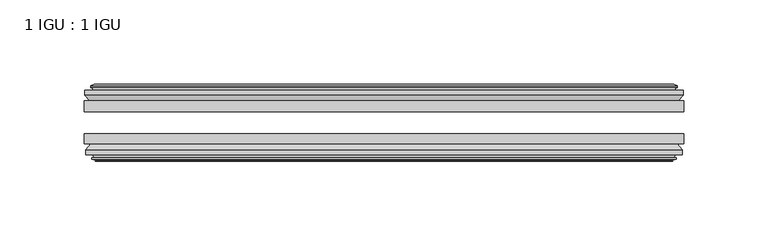
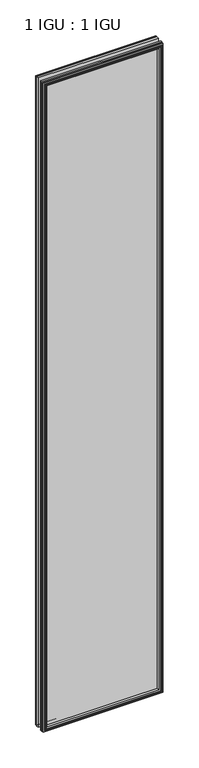
"""IFC4 building model written with IfcOpenShell, lengths in millimetres: plate geometry, 1 IGU : 1 IGU."""

import ifcopenshell
import ifcopenshell.guid

model = None  # the IFC model being written
_history = None  # IfcOwnerHistory: only IFC2X3 demands one
_inside = {}  # id of a spatial element -> (the spatial element, [elements in it])
_under = {}  # id of a project, library or spatial element -> (it, [spatial elements below it])
_declared = {}  # id of a project -> (the project, [libraries it declares])
_typed = {}  # id of a type object -> (the type object, [elements of that type])
_made_of = {}  # id of a material, layer set ... -> (it, [elements and type objects made of it])


def new_model(schema):
    """Start an empty IFC model of exactly this schema.

    Asked for "IFC4X3", IfcOpenShell would pick the latest addendum, in which some entities
    have other attributes; the version numbers below select the first issue.
    IFC2X3 requires an IfcOwnerHistory on every rooted entity: one is made here for all.
    """
    global model, _history
    if schema == "IFC4X3":
        model = ifcopenshell.file(schema_version=(4, 3, 0, 0))
    else:
        model = ifcopenshell.file(schema=schema)
    _inside.clear()
    _under.clear()
    _declared.clear()
    _typed.clear()
    _made_of.clear()
    _history = None
    if model.schema == "IFC2X3":
        org = make("IfcOrganization", Name="unknown")
        user = make(
            "IfcPersonAndOrganization",
            ThePerson=make("IfcPerson", FamilyName="unknown"),
            TheOrganization=org,
        )
        app = make(
            "IfcApplication",
            ApplicationDeveloper=org,
            Version="unknown",
            ApplicationFullName="unknown",
            ApplicationIdentifier="unknown",
        )
        _history = make(
            "IfcOwnerHistory",
            OwningUser=user,
            OwningApplication=app,
            ChangeAction="ADDED",
            CreationDate=0,
        )
    return model


def make(cls, **values):
    """One entity of the class cls with the attributes given. An attribute that is None is left unset."""
    return model.create_entity(
        cls, **{name: value for name, value in values.items() if value is not None}
    )


def rooted(cls, **values):
    """An entity with a GlobalId (a new one), such as an element, a storey or a relation."""
    return make(cls, GlobalId=ifcopenshell.guid.new(), OwnerHistory=_history, **values)


def si_unit(unit_type, name, prefix=None):
    """IfcSIUnit, for example si_unit("LENGTHUNIT", "METRE", prefix="MILLI")."""
    return make("IfcSIUnit", UnitType=unit_type, Prefix=prefix, Name=name)


def assignment(units):
    """IfcUnitAssignment: the units of a project."""
    return None if units is None else make("IfcUnitAssignment", Units=units)


def point(xyz):
    """IfcCartesianPoint."""
    return None if xyz is None else make("IfcCartesianPoint", Coordinates=xyz)


def direction(xyz):
    """IfcDirection."""
    return None if xyz is None else make("IfcDirection", DirectionRatios=xyz)


def frame(location, z_axis=None, x_axis=None):
    """IfcAxis2Placement3D, a coordinate frame: its origin and axes. An axis left out is left unset."""
    return make(
        "IfcAxis2Placement3D",
        Location=point(location),
        Axis=direction(z_axis),
        RefDirection=direction(x_axis),
    )


def origin():
    """The frame at (0, 0, 0) with its axes left unset."""
    return frame((0.0, 0.0, 0.0))


def place(relative_to, where):
    """IfcLocalPlacement: puts the frame where relative to a parent placement (None: the world)."""
    return make(
        "IfcLocalPlacement", PlacementRelTo=relative_to, RelativePlacement=where
    )


def context(
    kind, dimensions, precision=None, world=None, true_north=None, identifier=None
):
    """IfcGeometricRepresentationContext, for example the 3D "Model" context."""
    return make(
        "IfcGeometricRepresentationContext",
        ContextIdentifier=identifier,
        ContextType=kind,
        CoordinateSpaceDimension=dimensions,
        Precision=precision,
        WorldCoordinateSystem=world,
        TrueNorth=true_north,
    )


def project(units=None, contexts=None):
    """IfcProject with its units and contexts."""
    return rooted(
        "IfcProject",
        Name="project",
        RepresentationContexts=contexts,
        UnitsInContext=assignment(units),
    )


def spatial(cls, under=None, at=None, **own):
    """A site, building, storey or space (cls), placed at a placement, below another one or the project."""
    s = rooted(cls, ObjectPlacement=at, **own)
    if under is not None:
        _under.setdefault(under.id(), (under, []))[1].append(s)
    return s


def polyline(points):
    """IfcPolyline through the points."""
    return make("IfcPolyline", Points=[point(p) for p in points])


def outline(outer, holes=None, kind="AREA"):
    """IfcArbitraryClosedProfileDef: a profile drawn as a closed curve; with holes, ...WithVoids."""
    if holes is None:
        return make("IfcArbitraryClosedProfileDef", ProfileType=kind, OuterCurve=outer)
    return make(
        "IfcArbitraryProfileDefWithVoids",
        ProfileType=kind,
        OuterCurve=outer,
        InnerCurves=holes,
    )


def extrude(swept, where, along, depth):
    """IfcExtrudedAreaSolid: the profile swept, set in the frame where, extruded along a direction by depth."""
    return make(
        "IfcExtrudedAreaSolid",
        SweptArea=swept,
        Position=where,
        ExtrudedDirection=direction(along),
        Depth=depth,
    )


def faces_of(points, faces, orient=None, outer=None):
    """IfcFace entities. A face is a list of loops; a loop is a list of indices into points, from 0.

    orient and outer hold one flag for each loop. By default every Orientation is true, the
    first loop of a face is its IfcFaceOuterBound and the others are IfcFaceBound.
    """
    made = []
    for i, loops in enumerate(faces):
        bounds = []
        for j, loop in enumerate(loops):
            is_outer = j == 0 if outer is None else outer[i][j]
            bounds.append(
                make(
                    "IfcFaceOuterBound" if is_outer else "IfcFaceBound",
                    Bound=make("IfcPolyLoop", Polygon=[points[k] for k in loop]),
                    Orientation=True if orient is None else orient[i][j],
                )
            )
        made.append(make("IfcFace", Bounds=bounds))
    return made


def faceted_brep(points, faces, orient=None, outer=None, voids=None):
    """IfcFacetedBrep: a solid bounded by flat faces; with voids (closed shells), ...WithVoids."""
    shared = [point(p) for p in points]
    hull = make("IfcClosedShell", CfsFaces=faces_of(shared, faces, orient, outer))
    if voids is None:
        return make("IfcFacetedBrep", Outer=hull)
    return make(
        "IfcFacetedBrepWithVoids",
        Outer=hull,
        Voids=[
            make(cls, CfsFaces=faces_of(shared, fs, o, b)) for cls, fs, o, b in voids
        ],
    )


def shape(context_of_items, identifier, shape_type, items):
    """IfcShapeRepresentation: the items that make up one representation, for example the "Body"."""
    return make(
        "IfcShapeRepresentation",
        ContextOfItems=context_of_items,
        RepresentationIdentifier=identifier,
        RepresentationType=shape_type,
        Items=items,
    )


def source(mapping_origin, context_of_items, identifier, shape_type, items):
    """IfcRepresentationMap: a shape defined once, which mapped items show again and again."""
    return make(
        "IfcRepresentationMap",
        MappingOrigin=mapping_origin,
        MappedRepresentation=shape(context_of_items, identifier, shape_type, items),
    )


def transform(
    local_origin,
    x_axis=None,
    y_axis=None,
    z_axis=None,
    scale=None,
    scale2=None,
    scale3=None,
    uniform=True,
):
    """IfcCartesianTransformationOperator3D, or its non-uniform kind. x_axis, y_axis, z_axis: its Axis1, 2, 3."""
    if uniform:
        return make(
            "IfcCartesianTransformationOperator3D",
            Axis1=direction(x_axis),
            Axis2=direction(y_axis),
            LocalOrigin=point(local_origin),
            Scale=scale,
            Axis3=direction(z_axis),
        )
    return make(
        "IfcCartesianTransformationOperator3DnonUniform",
        Axis1=direction(x_axis),
        Axis2=direction(y_axis),
        LocalOrigin=point(local_origin),
        Scale=scale,
        Axis3=direction(z_axis),
        Scale2=scale2,
        Scale3=scale3,
    )


def mapped(mapping_source, mapping_target):
    """IfcMappedItem: shows the shape of a source again, moved by a transform."""
    return make(
        "IfcMappedItem", MappingSource=mapping_source, MappingTarget=mapping_target
    )


def made_of(thing, what):
    """Note that an element or type object is made of a material, layer set ...; save() writes the relation."""
    if what is not None:
        _made_of.setdefault(what.id(), (what, []))[1].append(thing)
    return thing


def element(
    cls,
    number,
    at=None,
    inside=None,
    cuts=None,
    type_object=None,
    material=None,
    context=None,
    identifier="Body",
    shape_type=None,
    held_by="IfcProductDefinitionShape",
    body=None,
    shapes=None,
    **own,
):
    """One element of the class cls, such as IfcWall. Its Tag is "e" and its number.

    at: its placement. inside: the storey or other place that contains it. cuts: it is an
    opening in that element (IfcRelVoidsElement). A single representation is given by context,
    identifier, shape_type and body (its items); several are given by shapes. held_by: the class
    of the entity that holds the representations. save() writes the other relations.
    """
    e = rooted(cls, Tag="e%d" % number, ObjectPlacement=at, **own)
    if body is not None:
        shapes = [shape(context, identifier, shape_type, body)]
    if shapes is not None:
        e.Representation = make(held_by, Representations=shapes)
    if inside is not None:
        _inside.setdefault(inside.id(), (inside, []))[1].append(e)
    if cuts is not None:
        rooted(
            "IfcRelVoidsElement", RelatingBuildingElement=cuts, RelatedOpeningElement=e
        )
    if type_object is not None:
        _typed.setdefault(type_object.id(), (type_object, []))[1].append(e)
    return made_of(e, material)


def aggregate(whole, parts):
    """IfcRelAggregates: a whole, such as a stair, and the parts it consists of."""
    return rooted("IfcRelAggregates", RelatingObject=whole, RelatedObjects=parts)


def save(model, path):
    """Write the relations noted so far, then the file.

    IfcRelAggregates (storeys below a building ...), IfcRelContainedInSpatialStructure (elements
    in a storey), IfcRelDefinesByType, IfcRelAssociatesMaterial and IfcRelDeclares: one each for
    every whole, place, type object, material and project.
    """
    for whole, parts in _under.values():
        aggregate(whole, parts)
    for where, things in _inside.values():
        rooted(
            "IfcRelContainedInSpatialStructure",
            RelatedElements=things,
            RelatingStructure=where,
        )
    for kind, things in _typed.values():
        rooted("IfcRelDefinesByType", RelatedObjects=things, RelatingType=kind)
    for what, things in _made_of.values():
        rooted("IfcRelAssociatesMaterial", RelatedObjects=things, RelatingMaterial=what)
    for by, libraries in _declared.values():
        rooted("IfcRelDeclares", RelatingContext=by, RelatedDefinitions=libraries)
    model.write(path)


def plate_1_igu_1_igu_80861282(model_context):
    return source(origin(), model_context, "Body", "SolidModel", [
        extrude(outline(polyline([(177.2841883, -19.5460937), (177.2841883, -25.8960938), (-177.2841883, -25.8960938), (-177.2841883, -19.5460937), (177.2841883, -19.5460937)])), frame((0.0, 0.0, -12.7), z_axis=(0.0, 0.0, 1.0), x_axis=(1.0, 0.0, 0.0)), (0.0, 0.0, 1.0), 2019.3),
        extrude(outline(polyline([(-177.2841883, -44.9460938), (-177.2841883, -38.9186737), (177.2841883, -38.9186737), (177.2841883, -44.9460938), (-177.2841883, -44.9460938)])), frame((0.0, 0.0, -12.7), z_axis=(0.0, 0.0, 1.0), x_axis=(1.0, 0.0, 0.0)), (0.0, 0.0, 1.0), 2019.3),
        faceted_brep([(-171.6961883, -53.6762907, 2001.012), (-172.0771883, -51.2960937, 2001.393), (-172.0771883, -51.2960937, -7.493), (-171.6961883, -53.6762907, -7.112), (-173.1117174, -53.2163575, 2002.4275291), (-173.1117174, -53.2163575, -8.5275291), (-173.1117174, -54.0175717, 2002.4275291), (-173.1117174, -54.0175717, -8.5275291), (-170.9341883, -54.7250937, 2000.25), (-170.9341883, -54.7250937, -6.35), (-168.7566593, -54.0175717, 1998.0724709), (-168.7566593, -54.0175717, -4.1724709), (-168.7566593, -53.2163575, 1998.0724709), (-168.7566593, -53.2163575, -4.1724709), (-170.1721883, -53.6762907, 1999.488), (-170.1721883, -53.6762907, -5.588), (-169.7911883, -51.2960937, 1999.107), (-169.7911883, -51.2960937, -5.207), (-162.8664703, -44.9460937, 1992.1822819), (-164.5841883, -51.2960937, 1993.9), (-164.5841883, -51.2960937, 0.0), (-162.8664703, -44.9460937, 1.7177181), (-176.5221883, -48.3496937, 2005.838), (-173.6878462, -44.9460937, 2003.0036578), (-173.6878462, -44.9460937, -9.1036578), (-176.5221883, -48.3496937, -11.938), (-176.5221883, -51.2960937, 2005.838), (-176.5221883, -51.2960937, -11.938), (172.0771883, -51.2960938, -7.493), (171.6961883, -53.6762907, -7.112), (173.1117174, -53.2163575, -8.5275291), (173.1117174, -54.0175717, -8.5275291), (170.9341883, -54.7250937, -6.35), (168.7566593, -54.0175717, -4.1724709), (168.7566593, -53.2163575, -4.1724709), (170.1721883, -53.6762907, -5.588), (169.7911883, -51.2960937, -5.207), (164.5841883, -51.2960937, 0.0), (162.8664703, -44.9460937, 1.7177181), (173.6878462, -44.9460937, -9.1036578), (176.5221883, -48.3496937, -11.938), (176.5221883, -51.2960938, -11.938), (172.0771883, -51.2960938, 2001.393), (171.6961883, -53.6762907, 2001.012), (173.1117174, -53.2163575, 2002.4275291), (173.1117174, -54.0175717, 2002.4275291), (170.9341883, -54.7250937, 2000.25), (168.7566593, -54.0175717, 1998.0724709), (168.7566593, -53.2163575, 1998.0724709), (170.1721883, -53.6762907, 1999.488), (169.7911883, -51.2960937, 1999.107), (164.5841883, -51.2960937, 1993.9), (162.8664703, -44.9460937, 1992.1822819), (173.6878462, -44.9460937, 2003.0036578), (176.5221883, -48.3496937, 2005.838), (176.5221883, -51.2960938, 2005.838)], [[[0, 1, 2, 3]], [[4, 0, 3, 5]], [[6, 4, 5, 7]], [[8, 6, 7, 9]], [[10, 8, 9, 11]], [[12, 10, 11, 13]], [[14, 12, 13, 15]], [[16, 14, 15, 17]], [[18, 19, 20, 21]], [[22, 23, 24, 25]], [[26, 22, 25, 27]], [[3, 2, 28, 29]], [[5, 3, 29, 30]], [[7, 5, 30, 31]], [[9, 7, 31, 32]], [[11, 9, 32, 33]], [[13, 11, 33, 34]], [[15, 13, 34, 35]], [[17, 15, 35, 36]], [[21, 20, 37, 38]], [[25, 24, 39, 40]], [[27, 25, 40, 41]], [[29, 28, 42, 43]], [[30, 29, 43, 44]], [[31, 30, 44, 45]], [[32, 31, 45, 46]], [[33, 32, 46, 47]], [[34, 33, 47, 48]], [[35, 34, 48, 49]], [[36, 35, 49, 50]], [[38, 37, 51, 52]], [[40, 39, 53, 54]], [[41, 40, 54, 55]], [[27, 41, 55, 26], [1, 42, 28, 2]], [[43, 42, 1, 0]], [[44, 43, 0, 4]], [[45, 44, 4, 6]], [[46, 45, 6, 8]], [[47, 46, 8, 10]], [[48, 47, 10, 12]], [[49, 48, 12, 14]], [[50, 49, 14, 16]], [[17, 36, 50, 16], [19, 51, 37, 20]], [[52, 51, 19, 18]], [[23, 53, 39, 24], [21, 38, 52, 18]], [[54, 53, 23, 22]], [[55, 54, 22, 26]]]),
        faceted_brep([(-174.2085462, -19.5460937, 2003.5243578), (-177.0428883, -16.1424937, 2006.3587), (-177.0428883, -16.1424937, -12.4587), (-174.2085462, -19.5460937, -9.6243578), (-165.1048883, -13.1960937, 1994.4207), (-163.3871703, -19.5460937, 1992.7029819), (-163.3871703, -19.5460937, 1.1970181), (-165.1048883, -13.1960937, -0.5207), (-170.6928883, -10.8158968, 2000.0087), (-170.3118883, -13.1960937, 1999.6277), (-170.3118883, -13.1960937, -5.7277), (-170.6928883, -10.8158968, -6.1087), (-169.2773593, -11.27583, 1998.5931709), (-169.2773593, -11.27583, -4.6931709), (-169.2773593, -10.4746158, 1998.5931709), (-169.2773593, -10.4746158, -4.6931709), (-171.4548883, -9.7670937, 2000.7707), (-171.4548883, -9.7670937, -6.8707), (-173.6324174, -10.4746158, 2002.9482291), (-173.6324174, -10.4746158, -9.0482291), (-173.6324174, -11.27583, 2002.9482291), (-173.6324174, -11.27583, -9.0482291), (-172.2168883, -10.8158968, 2001.5327), (-172.2168883, -10.8158968, -7.6327), (-172.5978883, -13.1960937, 2001.9137), (-172.5978883, -13.1960937, -8.0137), (-177.0428883, -13.1960937, 2006.3587), (-177.0428883, -13.1960937, -12.4587), (177.0428883, -16.1424937, -12.4587), (174.2085462, -19.5460937, -9.6243578), (163.3871703, -19.5460937, 1.1970181), (165.1048883, -13.1960937, -0.5207), (170.3118883, -13.1960937, -5.7277), (170.6928883, -10.8158968, -6.1087), (169.2773593, -11.27583, -4.6931709), (169.2773593, -10.4746158, -4.6931709), (171.4548883, -9.7670937, -6.8707), (173.6324174, -10.4746158, -9.0482291), (173.6324174, -11.27583, -9.0482291), (172.2168883, -10.8158968, -7.6327), (172.5978883, -13.1960937, -8.0137), (177.0428883, -13.1960937, -12.4587), (177.0428883, -16.1424937, 2006.3587), (174.2085462, -19.5460937, 2003.5243578), (163.3871703, -19.5460937, 1992.7029819), (165.1048883, -13.1960937, 1994.4207), (170.3118883, -13.1960937, 1999.6277), (170.6928883, -10.8158968, 2000.0087), (169.2773593, -11.27583, 1998.5931709), (169.2773593, -10.4746158, 1998.5931709), (171.4548883, -9.7670937, 2000.7707), (173.6324174, -10.4746158, 2002.9482291), (173.6324174, -11.27583, 2002.9482291), (172.2168883, -10.8158968, 2001.5327), (172.5978883, -13.1960937, 2001.9137), (177.0428883, -13.1960937, 2006.3587)], [[[0, 1, 2, 3]], [[4, 5, 6, 7]], [[8, 9, 10, 11]], [[12, 8, 11, 13]], [[14, 12, 13, 15]], [[16, 14, 15, 17]], [[18, 16, 17, 19]], [[20, 18, 19, 21]], [[22, 20, 21, 23]], [[24, 22, 23, 25]], [[1, 26, 27, 2]], [[3, 2, 28, 29]], [[7, 6, 30, 31]], [[11, 10, 32, 33]], [[13, 11, 33, 34]], [[15, 13, 34, 35]], [[17, 15, 35, 36]], [[19, 17, 36, 37]], [[21, 19, 37, 38]], [[23, 21, 38, 39]], [[25, 23, 39, 40]], [[2, 27, 41, 28]], [[29, 28, 42, 43]], [[31, 30, 44, 45]], [[33, 32, 46, 47]], [[34, 33, 47, 48]], [[35, 34, 48, 49]], [[36, 35, 49, 50]], [[37, 36, 50, 51]], [[38, 37, 51, 52]], [[39, 38, 52, 53]], [[40, 39, 53, 54]], [[28, 41, 55, 42]], [[43, 42, 1, 0]], [[3, 29, 43, 0], [5, 44, 30, 6]], [[45, 44, 5, 4]], [[9, 46, 32, 10], [7, 31, 45, 4]], [[47, 46, 9, 8]], [[48, 47, 8, 12]], [[49, 48, 12, 14]], [[50, 49, 14, 16]], [[51, 50, 16, 18]], [[52, 51, 18, 20]], [[53, 52, 20, 22]], [[54, 53, 22, 24]], [[26, 55, 41, 27], [25, 40, 54, 24]], [[42, 55, 26, 1]]]),
    ])


if __name__ == "__main__":
    model = new_model("IFC4")
    model_context = context("Model", 3, world=origin())
    ifc_project = project(units=[si_unit("LENGTHUNIT", "METRE", prefix="MILLI")], contexts=[model_context])
    site = spatial("IfcSite", under=ifc_project)
    building = spatial("IfcBuilding", under=site)
    placement = place(None, origin())
    plate_1_igu_1_igu_shape = plate_1_igu_1_igu_80861282(model_context)
    element("IfcPlate", 1, ObjectType="1 IGU : 1 IGU", at=placement, inside=building, context=model_context, shape_type="MappedRepresentation", body=[
        mapped(plate_1_igu_1_igu_shape, transform((0.0, 0.0, 0.0), x_axis=(1.0, 0.0, 0.0), y_axis=(0.0, 1.0, 0.0), z_axis=(0.0, 0.0, 1.0))),
    ])
    save(model, "model.ifc")
